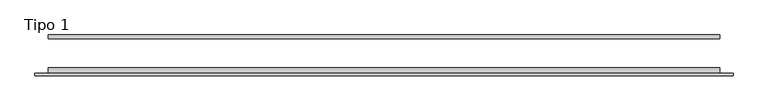
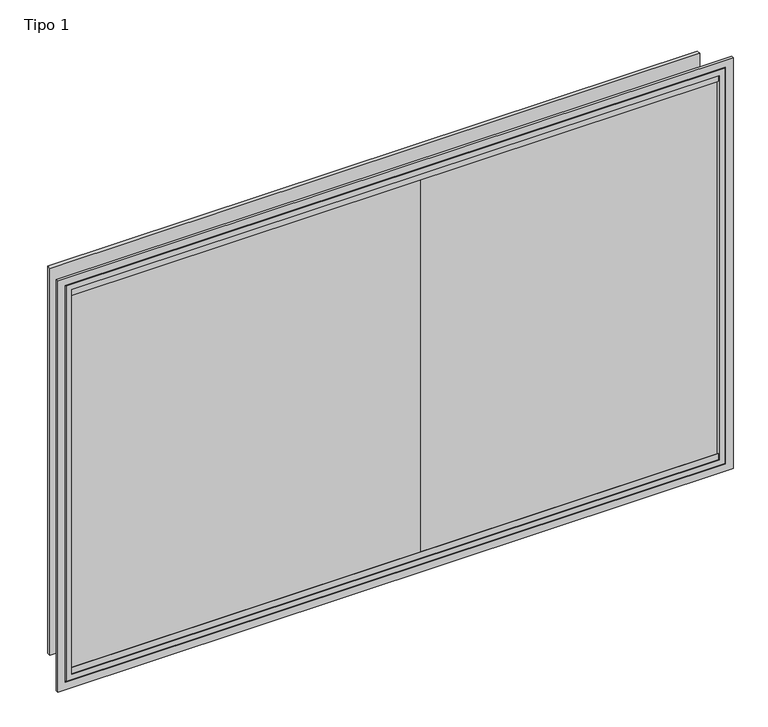
"""IFC4 building model written with IfcOpenShell, lengths in millimetres: furniture geometry, Tipo 1."""

from ifc_helpers import new_model, si_unit, frame, origin, place, context, project, spatial, polyline, outline, extrude, faceted_brep, source, transform, mapped, element, save


def tipo_1_bf7684b6(model_context):
    return source(origin(), model_context, "Body", "SolidModel", [
        extrude(outline(polyline([(-1140.0005956, -215.0), (225.0, -215.0), (225.0, -225.0), (-1140.0005956, -225.0), (-1140.0005956, -215.0)])), frame((0.0, 0.0, 644.9994044), z_axis=(0.0, 0.0, 1.0), x_axis=(1.0, 0.0, 0.0)), (0.0, 0.0, 1.0), 1590.0011912),
        extrude(outline(polyline([(1390.0005956, -215.0), (25.0, -215.0), (25.0, -205.0), (1390.0005956, -205.0), (1390.0005956, -215.0)])), frame((0.0, 0.0, 644.9994044), z_axis=(0.0, 0.0, 1.0), x_axis=(1.0, 0.0, 0.0)), (0.0, 0.0, 1.0), 1590.0011912),
        extrude(outline(polyline([(1390.0005956, -227.5), (-1140.0005956, -227.5), (-1140.0005956, -225.0), (1390.0005956, -225.0), (1390.0005956, -227.5)])), frame((0.0, 0.0, 644.9994044), z_axis=(0.0, 0.0, 1.0), x_axis=(1.0, 0.0, 0.0)), (0.0, 0.0, 1.0), 25.0),
        extrude(outline(polyline([(1390.0005956, -227.5), (-1140.0005956, -227.5), (-1140.0005956, -225.0), (1390.0005956, -225.0), (1390.0005956, -227.5)])), frame((0.0, 0.0, 2210.0005956), z_axis=(0.0, 0.0, 1.0), x_axis=(1.0, 0.0, 0.0)), (0.0, 0.0, 1.0), 25.0),
        faceted_brep([(-1145.0, -200.0, 2240.0), (-1145.0, -200.0, 640.0), (-1145.0, -220.0, 640.0), (-1145.0, -220.0, 2240.0), (-1195.0, -220.0, 590.0), (-1195.0, -220.0, 2290.0), (1445.0, -220.0, 2290.0), (1445.0, -220.0, 590.0), (1395.0, -220.0, 640.0), (1395.0, -220.0, 2240.0), (1395.0, -200.0, 640.0), (1395.0, -200.0, 2240.0), (-1135.0, -200.0, 2230.0), (-1135.0, -200.0, 650.0), (1385.0, -200.0, 650.0), (1385.0, -200.0, 2230.0), (-1140.0005956, -230.0, 2235.0005956), (-1140.0005956, -230.0, 644.9994044), (-1140.0005956, -205.0, 644.9994044), (-1140.0005956, -205.0, 2235.0005956), (1390.0005956, -205.0, 644.9994044), (1390.0005956, -205.0, 2235.0005956), (-1135.0, -205.0, 650.0), (-1135.0, -205.0, 2230.0), (1385.0, -205.0, 2230.0), (1385.0, -205.0, 650.0), (1390.0005956, -230.0, 644.9994044), (-1162.5005956, -230.0, 2257.5005956), (-1162.5005956, -230.0, 622.4994044), (1412.5005956, -230.0, 622.4994044), (1412.5005956, -230.0, 2257.5005956), (1390.0005956, -230.0, 2235.0005956), (-1162.5005956, -225.0, 2257.5005956), (-1162.5005956, -225.0, 622.4994044), (1412.5005956, -225.0, 622.4994044), (-1165.0, -225.0, 2260.0), (-1165.0, -225.0, 620.0), (1415.0, -225.0, 620.0), (1415.0, -225.0, 2260.0), (1412.5005956, -225.0, 2257.5005956), (-1165.0, -230.0, 2260.0), (-1165.0, -230.0, 620.0), (1415.0, -230.0, 620.0), (-1195.0, -230.0, 2290.0), (-1195.0, -230.0, 590.0), (1445.0, -230.0, 590.0), (1445.0, -230.0, 2290.0), (1415.0, -230.0, 2260.0)], [[[0, 1, 2, 3]], [[4, 5, 6, 7], [3, 2, 8, 9]], [[1, 10, 8, 2]], [[1, 0, 11, 10], [12, 13, 14, 15]], [[16, 17, 18, 19]], [[19, 18, 20, 21], [22, 23, 24, 25]], [[17, 26, 20, 18]], [[27, 28, 29, 30], [17, 16, 31, 26]], [[32, 33, 28, 27]], [[33, 34, 29, 28]], [[35, 36, 37, 38], [33, 32, 39, 34]], [[40, 41, 36, 35]], [[41, 42, 37, 36]], [[43, 44, 45, 46], [41, 40, 47, 42]], [[5, 4, 44, 43]], [[4, 7, 45, 44]], [[10, 11, 9, 8]], [[26, 31, 21, 20]], [[34, 39, 30, 29]], [[42, 47, 38, 37]], [[7, 6, 46, 45]], [[25, 24, 15, 14]], [[22, 25, 14, 13]], [[23, 22, 13, 12]], [[11, 0, 3, 9]], [[31, 16, 19, 21]], [[39, 32, 27, 30]], [[47, 40, 35, 38]], [[6, 5, 43, 46]], [[24, 23, 12, 15]]]),
        extrude(outline(polyline([(1395.0, -75.0), (1395.0, -90.0), (-1145.0, -90.0), (-1145.0, -75.0), (1395.0, -75.0)])), frame((0.0, 0.0, 640.0), z_axis=(0.0, 0.0, 1.0), x_axis=(1.0, 0.0, 0.0)), (0.0, 0.0, 1.0), 1600.0),
    ])


if __name__ == "__main__":
    model = new_model("IFC4")
    model_context = context("Model", 3, world=origin())
    ifc_project = project(units=[si_unit("LENGTHUNIT", "METRE", prefix="MILLI")], contexts=[model_context])
    site = spatial("IfcSite", under=ifc_project)
    building = spatial("IfcBuilding", under=site)
    placement = place(None, origin())
    tipo_1_shape = tipo_1_bf7684b6(model_context)
    element("IfcFurniture", 1, ObjectType="Tipo 1", at=placement, inside=building, context=model_context, shape_type="MappedRepresentation", body=[
        mapped(tipo_1_shape, transform((0.0, 0.0, 0.0), x_axis=(1.0, 0.0, 0.0), y_axis=(0.0, 1.0, 0.0), z_axis=(0.0, 0.0, 1.0))),
    ])
    save(model, "model.ifc")
